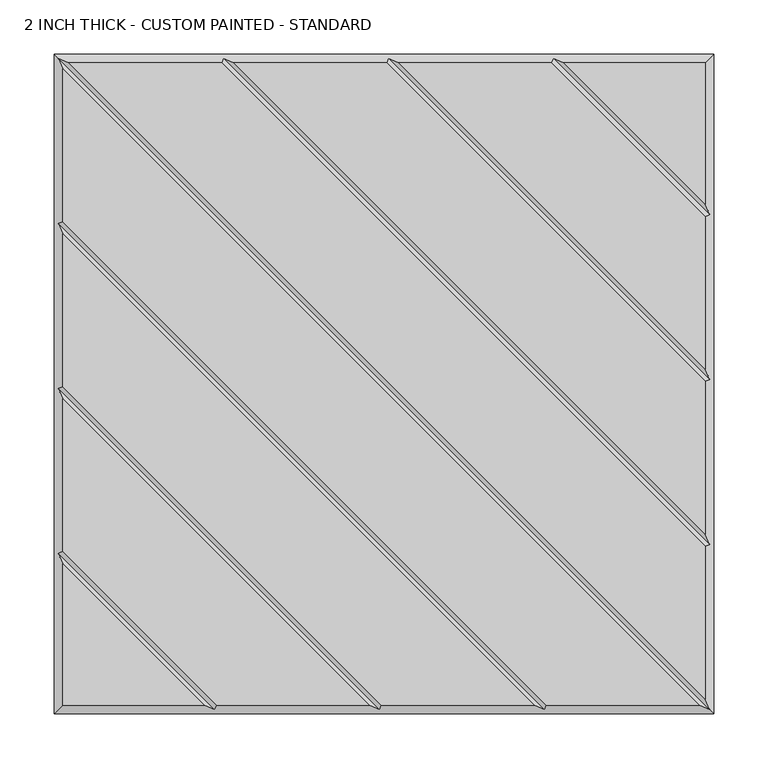
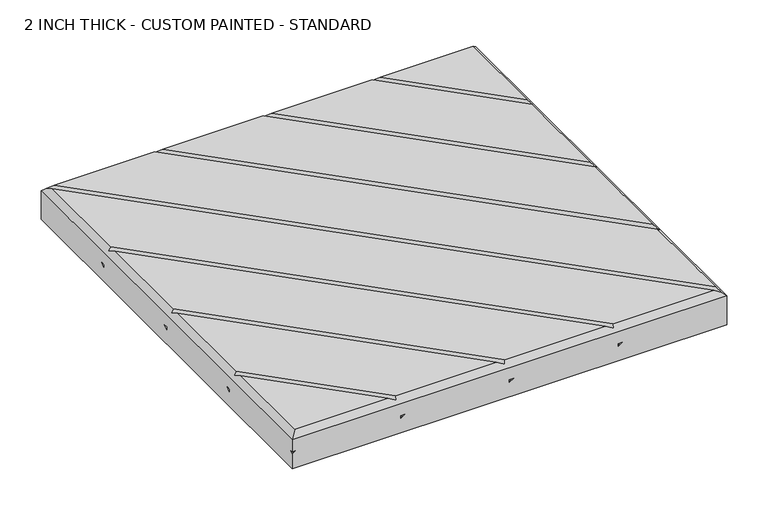
"""IFC4 building model written with IfcOpenShell, lengths in millimetres: proxy geometry, 2 INCH THICK - CUSTOM PAINTED - STANDARD."""

import ifcopenshell
import ifcopenshell.guid

model = None  # the IFC model being written
_history = None  # IfcOwnerHistory: only IFC2X3 demands one
_inside = {}  # id of a spatial element -> (the spatial element, [elements in it])
_under = {}  # id of a project, library or spatial element -> (it, [spatial elements below it])
_declared = {}  # id of a project -> (the project, [libraries it declares])
_typed = {}  # id of a type object -> (the type object, [elements of that type])
_made_of = {}  # id of a material, layer set ... -> (it, [elements and type objects made of it])


def new_model(schema):
    """Start an empty IFC model of exactly this schema.

    Asked for "IFC4X3", IfcOpenShell would pick the latest addendum, in which some entities
    have other attributes; the version numbers below select the first issue.
    IFC2X3 requires an IfcOwnerHistory on every rooted entity: one is made here for all.
    """
    global model, _history
    if schema == "IFC4X3":
        model = ifcopenshell.file(schema_version=(4, 3, 0, 0))
    else:
        model = ifcopenshell.file(schema=schema)
    _inside.clear()
    _under.clear()
    _declared.clear()
    _typed.clear()
    _made_of.clear()
    _history = None
    if model.schema == "IFC2X3":
        org = make("IfcOrganization", Name="unknown")
        user = make(
            "IfcPersonAndOrganization",
            ThePerson=make("IfcPerson", FamilyName="unknown"),
            TheOrganization=org,
        )
        app = make(
            "IfcApplication",
            ApplicationDeveloper=org,
            Version="unknown",
            ApplicationFullName="unknown",
            ApplicationIdentifier="unknown",
        )
        _history = make(
            "IfcOwnerHistory",
            OwningUser=user,
            OwningApplication=app,
            ChangeAction="ADDED",
            CreationDate=0,
        )
    return model


def make(cls, **values):
    """One entity of the class cls with the attributes given. An attribute that is None is left unset."""
    return model.create_entity(
        cls, **{name: value for name, value in values.items() if value is not None}
    )


def rooted(cls, **values):
    """An entity with a GlobalId (a new one), such as an element, a storey or a relation."""
    return make(cls, GlobalId=ifcopenshell.guid.new(), OwnerHistory=_history, **values)


def si_unit(unit_type, name, prefix=None):
    """IfcSIUnit, for example si_unit("LENGTHUNIT", "METRE", prefix="MILLI")."""
    return make("IfcSIUnit", UnitType=unit_type, Prefix=prefix, Name=name)


def assignment(units):
    """IfcUnitAssignment: the units of a project."""
    return None if units is None else make("IfcUnitAssignment", Units=units)


def point(xyz):
    """IfcCartesianPoint."""
    return None if xyz is None else make("IfcCartesianPoint", Coordinates=xyz)


def direction(xyz):
    """IfcDirection."""
    return None if xyz is None else make("IfcDirection", DirectionRatios=xyz)


def frame(location, z_axis=None, x_axis=None):
    """IfcAxis2Placement3D, a coordinate frame: its origin and axes. An axis left out is left unset."""
    return make(
        "IfcAxis2Placement3D",
        Location=point(location),
        Axis=direction(z_axis),
        RefDirection=direction(x_axis),
    )


def origin():
    """The frame at (0, 0, 0) with its axes left unset."""
    return frame((0.0, 0.0, 0.0))


def place(relative_to, where):
    """IfcLocalPlacement: puts the frame where relative to a parent placement (None: the world)."""
    return make(
        "IfcLocalPlacement", PlacementRelTo=relative_to, RelativePlacement=where
    )


def context(
    kind, dimensions, precision=None, world=None, true_north=None, identifier=None
):
    """IfcGeometricRepresentationContext, for example the 3D "Model" context."""
    return make(
        "IfcGeometricRepresentationContext",
        ContextIdentifier=identifier,
        ContextType=kind,
        CoordinateSpaceDimension=dimensions,
        Precision=precision,
        WorldCoordinateSystem=world,
        TrueNorth=true_north,
    )


def project(units=None, contexts=None):
    """IfcProject with its units and contexts."""
    return rooted(
        "IfcProject",
        Name="project",
        RepresentationContexts=contexts,
        UnitsInContext=assignment(units),
    )


def spatial(cls, under=None, at=None, **own):
    """A site, building, storey or space (cls), placed at a placement, below another one or the project."""
    s = rooted(cls, ObjectPlacement=at, **own)
    if under is not None:
        _under.setdefault(under.id(), (under, []))[1].append(s)
    return s


def faces_of(points, faces, orient=None, outer=None):
    """IfcFace entities. A face is a list of loops; a loop is a list of indices into points, from 0.

    orient and outer hold one flag for each loop. By default every Orientation is true, the
    first loop of a face is its IfcFaceOuterBound and the others are IfcFaceBound.
    """
    made = []
    for i, loops in enumerate(faces):
        bounds = []
        for j, loop in enumerate(loops):
            is_outer = j == 0 if outer is None else outer[i][j]
            bounds.append(
                make(
                    "IfcFaceOuterBound" if is_outer else "IfcFaceBound",
                    Bound=make("IfcPolyLoop", Polygon=[points[k] for k in loop]),
                    Orientation=True if orient is None else orient[i][j],
                )
            )
        made.append(make("IfcFace", Bounds=bounds))
    return made


def faceted_brep(points, faces, orient=None, outer=None, voids=None):
    """IfcFacetedBrep: a solid bounded by flat faces; with voids (closed shells), ...WithVoids."""
    shared = [point(p) for p in points]
    hull = make("IfcClosedShell", CfsFaces=faces_of(shared, faces, orient, outer))
    if voids is None:
        return make("IfcFacetedBrep", Outer=hull)
    return make(
        "IfcFacetedBrepWithVoids",
        Outer=hull,
        Voids=[
            make(cls, CfsFaces=faces_of(shared, fs, o, b)) for cls, fs, o, b in voids
        ],
    )


def shape(context_of_items, identifier, shape_type, items):
    """IfcShapeRepresentation: the items that make up one representation, for example the "Body"."""
    return make(
        "IfcShapeRepresentation",
        ContextOfItems=context_of_items,
        RepresentationIdentifier=identifier,
        RepresentationType=shape_type,
        Items=items,
    )


def source(mapping_origin, context_of_items, identifier, shape_type, items):
    """IfcRepresentationMap: a shape defined once, which mapped items show again and again."""
    return make(
        "IfcRepresentationMap",
        MappingOrigin=mapping_origin,
        MappedRepresentation=shape(context_of_items, identifier, shape_type, items),
    )


def transform(
    local_origin,
    x_axis=None,
    y_axis=None,
    z_axis=None,
    scale=None,
    scale2=None,
    scale3=None,
    uniform=True,
):
    """IfcCartesianTransformationOperator3D, or its non-uniform kind. x_axis, y_axis, z_axis: its Axis1, 2, 3."""
    if uniform:
        return make(
            "IfcCartesianTransformationOperator3D",
            Axis1=direction(x_axis),
            Axis2=direction(y_axis),
            LocalOrigin=point(local_origin),
            Scale=scale,
            Axis3=direction(z_axis),
        )
    return make(
        "IfcCartesianTransformationOperator3DnonUniform",
        Axis1=direction(x_axis),
        Axis2=direction(y_axis),
        LocalOrigin=point(local_origin),
        Scale=scale,
        Axis3=direction(z_axis),
        Scale2=scale2,
        Scale3=scale3,
    )


def mapped(mapping_source, mapping_target):
    """IfcMappedItem: shows the shape of a source again, moved by a transform."""
    return make(
        "IfcMappedItem", MappingSource=mapping_source, MappingTarget=mapping_target
    )


def made_of(thing, what):
    """Note that an element or type object is made of a material, layer set ...; save() writes the relation."""
    if what is not None:
        _made_of.setdefault(what.id(), (what, []))[1].append(thing)
    return thing


def element(
    cls,
    number,
    at=None,
    inside=None,
    cuts=None,
    type_object=None,
    material=None,
    context=None,
    identifier="Body",
    shape_type=None,
    held_by="IfcProductDefinitionShape",
    body=None,
    shapes=None,
    **own,
):
    """One element of the class cls, such as IfcWall. Its Tag is "e" and its number.

    at: its placement. inside: the storey or other place that contains it. cuts: it is an
    opening in that element (IfcRelVoidsElement). A single representation is given by context,
    identifier, shape_type and body (its items); several are given by shapes. held_by: the class
    of the entity that holds the representations. save() writes the other relations.
    """
    e = rooted(cls, Tag="e%d" % number, ObjectPlacement=at, **own)
    if body is not None:
        shapes = [shape(context, identifier, shape_type, body)]
    if shapes is not None:
        e.Representation = make(held_by, Representations=shapes)
    if inside is not None:
        _inside.setdefault(inside.id(), (inside, []))[1].append(e)
    if cuts is not None:
        rooted(
            "IfcRelVoidsElement", RelatingBuildingElement=cuts, RelatedOpeningElement=e
        )
    if type_object is not None:
        _typed.setdefault(type_object.id(), (type_object, []))[1].append(e)
    return made_of(e, material)


def aggregate(whole, parts):
    """IfcRelAggregates: a whole, such as a stair, and the parts it consists of."""
    return rooted("IfcRelAggregates", RelatingObject=whole, RelatedObjects=parts)


def save(model, path):
    """Write the relations noted so far, then the file.

    IfcRelAggregates (storeys below a building ...), IfcRelContainedInSpatialStructure (elements
    in a storey), IfcRelDefinesByType, IfcRelAssociatesMaterial and IfcRelDeclares: one each for
    every whole, place, type object, material and project.
    """
    for whole, parts in _under.values():
        aggregate(whole, parts)
    for where, things in _inside.values():
        rooted(
            "IfcRelContainedInSpatialStructure",
            RelatedElements=things,
            RelatingStructure=where,
        )
    for kind, things in _typed.values():
        rooted("IfcRelDefinesByType", RelatedObjects=things, RelatingType=kind)
    for what, things in _made_of.values():
        rooted("IfcRelAssociatesMaterial", RelatedObjects=things, RelatingMaterial=what)
    for by, libraries in _declared.values():
        rooted("IfcRelDeclares", RelatingContext=by, RelatedDefinitions=libraries)
    model.write(path)


def proxy_2_inch_thick_custom_painted_standard_01ea5c22(model_context):
    return source(origin(), model_context, "Body", "Brep", [
        faceted_brep([(296.799, 154.7434623, 50.8), (154.743415, 296.799, 50.8), (13.6585378, 296.799, 50.8), (296.799, 13.658585, 50.8), (296.799, 2.3434632, 50.8), (2.3434141, 296.799, 50.8), (-138.7414628, 296.799, 50.8), (296.799, -138.7414144, 50.8), (296.799, -150.0565365, 50.8), (-150.0565862, 296.799, 50.8), (-291.1414386, 296.799, 50.8), (296.799, -291.1414386, 50.8), (291.1414386, -296.799, 50.8), (-296.799, 291.1414386, 50.8), (-296.799, 150.0565868, 50.8), (150.0565868, -296.799, 50.8), (138.741464, -296.799, 50.8), (-296.799, 138.741464, 50.8), (-296.799, -2.3434137, 50.8), (-2.3434382, -296.799, 50.8), (-13.6585605, -296.799, 50.8), (-296.799, -13.6585369, 50.8), (-296.799, -154.7434305, 50.8), (-154.743904, -296.799, 50.8), (296.799, 296.799, 50.8), (166.0585396, 296.799, 50.8), (296.799, 166.0585831, 50.8), (-296.799, -166.0585721, 50.8), (-296.799, -296.799, 50.8), (-166.0590079, -296.799, 50.8), (-304.8, 304.8, 0.0), (304.8, 304.8, 0.0), (304.8, -304.8, 0.0), (-304.8, -304.8, 0.0), (-304.8, -304.8, 21.3995359), (-304.8, -299.1424894, 25.4), (-304.8, -304.8, 25.4), (-304.8, -304.8, 42.799), (-304.8, 304.8, 42.799), (-304.8, -152.3999238, 21.3996078), (-304.8, -146.7425148, 25.4), (-304.8, -152.3999238, 25.4), (-304.8, 7.62e-05, 21.3996078), (-304.8, 5.6574852, 25.4), (-304.8, 7.62e-05, 25.4), (-304.8, 152.4000762, 21.3996078), (-304.8, 158.0574852, 25.4), (-304.8, 152.4000762, 25.4), (304.8, -304.8, 42.799), (-299.1423878, -304.8, 25.4), (-146.7424132, -304.8, 25.4), (-152.3999577, -304.8, 21.399512), (-152.3999238, -304.8, 25.4), (5.6575868, -304.8, 25.4), (4.23e-05, -304.8, 21.399512), (7.62e-05, -304.8, 25.4), (158.0575868, -304.8, 25.4), (152.4000423, -304.8, 21.399512), (152.4000762, -304.8, 25.4), (304.8, 304.8, 21.3995359), (304.8, 299.1423878, 25.4), (304.8, 304.8, 25.4), (304.8, 304.8, 42.799), (304.8, 152.4000762, 25.4), (304.8, 152.4000762, 21.3995), (304.8, 146.7424132, 25.4), (304.8, 7.62e-05, 25.4), (304.8, 7.62e-05, 21.3995), (304.8, -5.6575868, 25.4), (304.8, -152.3999238, 25.4), (304.8, -152.3999238, 21.3995), (304.8, -158.0575868, 25.4), (299.1424894, 304.8, 25.4), (152.4000762, 304.8, 21.3995), (152.4000762, 304.8, 25.4), (146.7425148, 304.8, 25.4), (7.62e-05, 304.8, 21.3995), (7.62e-05, 304.8, 25.4), (-5.6574852, 304.8, 25.4), (-152.3999238, 304.8, 21.3995), (-152.3999238, 304.8, 25.4), (-158.0574852, 304.8, 25.4), (-300.7995, 300.7995, 46.7995), (-148.399525, 300.7995, 46.7995), (4.0004753, 300.7995, 46.7995), (156.4004759, 300.7995, 46.7995), (-300.7995, -156.4004879, 46.7995), (-300.7995, -4.0004749, 46.7995), (-300.7995, 148.3995254, 46.7995), (300.7995, -300.7995, 46.7995), (148.3995254, -300.7995, 46.7995), (-4.0004997, -300.7995, 46.7995), (-156.4009693, -300.7995, 46.7995), (300.7995, 156.4005241, 46.7995), (300.7995, 4.0005247, 46.7995), (300.7995, -148.399475, 46.7995), (301.9712701, 155.2288061, 25.4), (-155.2287299, -301.9711939, 25.4), (301.9712701, 2.8288061, 25.4), (-2.8287299, -301.9711939, 25.4), (301.9712701, -149.5711939, 25.4), (149.5712701, -301.9711939, 25.4), (155.2288569, 301.9712193, 25.4), (-301.9711431, -155.2287807, 25.4), (2.8288569, 301.9712193, 25.4), (-301.9711431, -2.8287807, 25.4), (-149.5711431, 301.9712193, 25.4), (-301.9711431, 149.5712193, 25.4)], [[[0, 1, 2, 3]], [[4, 5, 6, 7]], [[8, 9, 10, 11]], [[12, 13, 14, 15]], [[16, 17, 18, 19]], [[20, 21, 22, 23]], [[24, 25, 26]], [[27, 28, 29]], [[30, 31, 32, 33]], [[30, 33, 34, 35, 36, 37, 38], [39, 40, 41], [42, 43, 44], [45, 46, 47]], [[33, 32, 48, 37, 36, 49, 34], [50, 51, 52], [53, 54, 55], [56, 57, 58]], [[32, 31, 59, 60, 61, 62, 48], [63, 64, 65], [66, 67, 68], [69, 70, 71]], [[31, 30, 38, 62, 61, 72, 59], [73, 74, 75], [76, 77, 78], [79, 80, 81]], [[24, 62, 38, 82, 10, 9, 83, 6, 5, 84, 2, 1, 85, 25]], [[37, 28, 27, 86, 22, 21, 87, 18, 17, 88, 14, 13, 82, 38]], [[28, 37, 48, 89, 12, 15, 90, 16, 19, 91, 20, 23, 92, 29]], [[62, 24, 26, 93, 0, 3, 94, 4, 7, 95, 8, 11, 89, 48]], [[34, 59, 72, 35]], [[59, 34, 49, 60]], [[64, 96, 97, 51]], [[64, 51, 50, 65]], [[67, 98, 99, 54]], [[67, 54, 53, 68]], [[70, 100, 101, 57]], [[70, 57, 56, 71]], [[102, 73, 39, 103]], [[39, 73, 75, 40]], [[104, 76, 42, 105]], [[42, 76, 78, 43]], [[106, 79, 45, 107]], [[45, 79, 81, 46]], [[93, 85, 1, 0]], [[85, 93, 26, 25]], [[94, 84, 5, 4]], [[84, 94, 3, 2]], [[95, 83, 9, 8]], [[83, 95, 7, 6]], [[82, 89, 11, 10]], [[89, 82, 13, 12]], [[88, 90, 15, 14]], [[90, 88, 17, 16]], [[87, 91, 19, 18]], [[91, 87, 21, 20]], [[86, 92, 23, 22]], [[92, 86, 27, 29]], [[60, 49, 36, 35, 72, 61]], [[96, 64, 63]], [[97, 96, 63, 65, 50, 52]], [[51, 97, 52]], [[98, 67, 66]], [[99, 98, 66, 68, 53, 55]], [[54, 99, 55]], [[100, 70, 69]], [[101, 100, 69, 71, 56, 58]], [[57, 101, 58]], [[73, 102, 74]], [[102, 103, 41, 40, 75, 74]], [[103, 39, 41]], [[76, 104, 77]], [[104, 105, 44, 43, 78, 77]], [[105, 42, 44]], [[79, 106, 80]], [[106, 107, 47, 46, 81, 80]], [[107, 45, 47]]]),
    ])


if __name__ == "__main__":
    model = new_model("IFC4")
    model_context = context("Model", 3, world=origin())
    ifc_project = project(units=[si_unit("LENGTHUNIT", "METRE", prefix="MILLI")], contexts=[model_context])
    site = spatial("IfcSite", under=ifc_project)
    building = spatial("IfcBuilding", under=site)
    placement = place(None, origin())
    proxy_2_inch_thick_custom_painted_standard_shape = proxy_2_inch_thick_custom_painted_standard_01ea5c22(model_context)
    element("IfcBuildingElementProxy", 1, Name="2 INCH THICK - CUSTOM PAINTED - STANDARD", ObjectType="2 INCH THICK - CUSTOM PAINTED - STANDARD", at=placement, inside=building, context=model_context, shape_type="MappedRepresentation", body=[
        mapped(proxy_2_inch_thick_custom_painted_standard_shape, transform((0.0, 0.0, 0.0), x_axis=(1.0, 0.0, 0.0), y_axis=(0.0, 1.0, 0.0), z_axis=(0.0, 0.0, 1.0))),
    ])
    save(model, "model.ifc")
